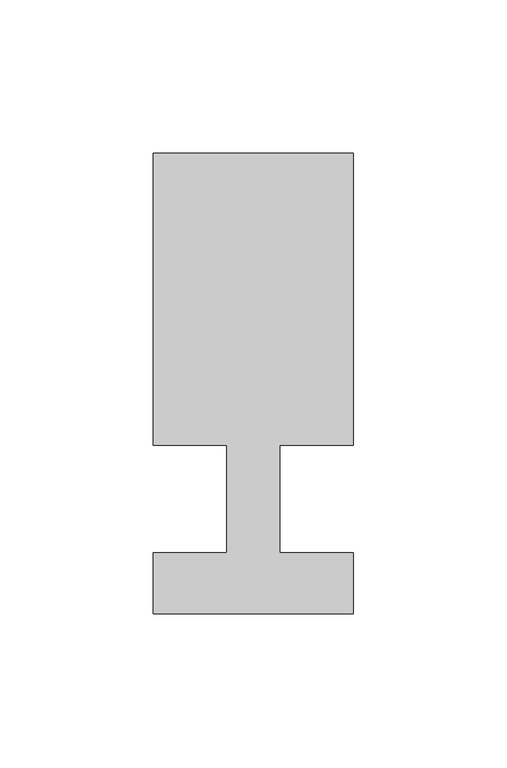
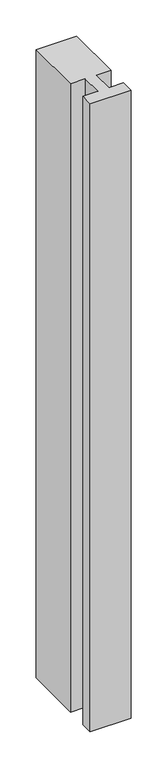
"""IFC4 building model written with IfcOpenShell, lengths in millimetres: member geometry."""

from ifc_helpers import new_model, si_unit, frame, origin, place, context, project, spatial, polyline, outline, extrude, source, transform, mapped, element, save


def member_a301a640(model_context):
    return source(origin(), model_context, "Body", "SweptSolid", [
        extrude(outline(polyline([(0.0, -37.0), (-65.0, -37.0), (-65.0, -17.0), (-41.1875, -17.0), (-41.1875, 18.0), (-65.0, 18.0), (-65.0, 113.0), (0.0, 113.0), (0.0, 18.0), (-23.8125, 18.0), (-23.8125, -17.0), (0.0, -17.0), (0.0, -37.0)])), frame((0.0, 0.0, -1060.0), z_axis=(0.0, 0.0, 1.0), x_axis=(1.0, 0.0, 0.0)), (0.0, 0.0, 1.0), 1060.0),
    ])


if __name__ == "__main__":
    model = new_model("IFC4")
    model_context = context("Model", 3, world=origin())
    ifc_project = project(units=[si_unit("LENGTHUNIT", "METRE", prefix="MILLI")], contexts=[model_context])
    site = spatial("IfcSite", under=ifc_project)
    building = spatial("IfcBuilding", under=site)
    placement = place(None, origin())
    member_shape = member_a301a640(model_context)
    element("IfcMember", 1, at=placement, inside=building, context=model_context, shape_type="MappedRepresentation", body=[
        mapped(member_shape, transform((0.0, 0.0, 0.0), x_axis=(1.0, 0.0, 0.0), y_axis=(0.0, 1.0, 0.0), z_axis=(0.0, 0.0, 1.0))),
    ])
    save(model, "model.ifc")
